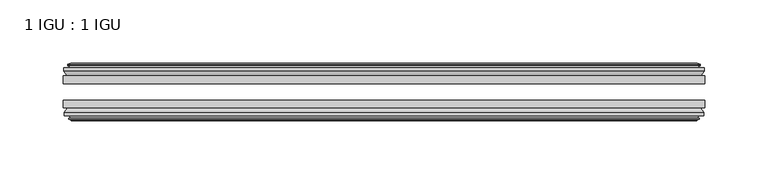
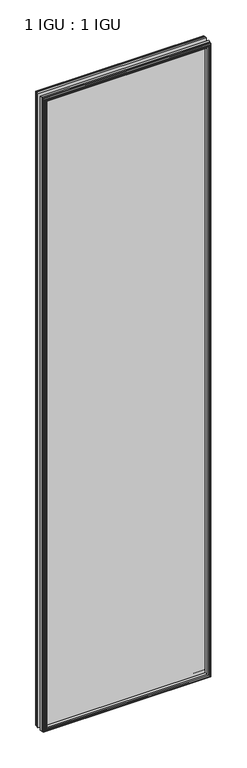
"""IFC4 building model written with IfcOpenShell, lengths in millimetres: plate geometry, 1 IGU : 1 IGU."""

from ifc_helpers import new_model, si_unit, frame, origin, place, context, project, spatial, polyline, outline, extrude, faceted_brep, source, transform, mapped, element, save


def plate_1_igu_1_igu_2e8cac7d(model_context):
    return source(origin(), model_context, "Body", "SolidModel", [
        extrude(outline(polyline([(253.4841883, -19.5460937), (253.4841883, -25.8960938), (-253.4841883, -25.8960938), (-253.4841883, -19.5460937), (253.4841883, -19.5460937)])), frame((0.0, 0.0, -12.7), z_axis=(0.0, 0.0, 1.0), x_axis=(1.0, 0.0, 0.0)), (0.0, 0.0, 1.0), 2019.3),
        extrude(outline(polyline([(-253.4841883, -44.9460938), (-253.4841883, -38.9186737), (253.4841883, -38.9186737), (253.4841883, -44.9460938), (-253.4841883, -44.9460938)])), frame((0.0, 0.0, -12.7), z_axis=(0.0, 0.0, 1.0), x_axis=(1.0, 0.0, 0.0)), (0.0, 0.0, 1.0), 2019.3),
        faceted_brep([(-247.8961883, -53.6762907, 2001.012), (-248.2771883, -51.2960937, 2001.393), (-248.2771883, -51.2960937, -7.493), (-247.8961883, -53.6762907, -7.112), (-249.3117174, -53.2163575, 2002.4275291), (-249.3117174, -53.2163575, -8.5275291), (-249.3117174, -54.0175717, 2002.4275291), (-249.3117174, -54.0175717, -8.5275291), (-247.1341883, -54.7250937, 2000.25), (-247.1341883, -54.7250937, -6.35), (-244.9566593, -54.0175717, 1998.0724709), (-244.9566593, -54.0175717, -4.1724709), (-244.9566593, -53.2163575, 1998.0724709), (-244.9566593, -53.2163575, -4.1724709), (-246.3721883, -53.6762907, 1999.488), (-246.3721883, -53.6762907, -5.588), (-245.9911883, -51.2960937, 1999.107), (-245.9911883, -51.2960937, -5.207), (-239.0664703, -44.9460937, 1992.1822819), (-240.7841883, -51.2960937, 1993.9), (-240.7841883, -51.2960937, 0.0), (-239.0664703, -44.9460937, 1.7177181), (-252.7221883, -48.3496937, 2005.838), (-249.8878462, -44.9460937, 2003.0036578), (-249.8878462, -44.9460937, -9.1036578), (-252.7221883, -48.3496937, -11.938), (-252.7221883, -51.2960937, 2005.838), (-252.7221883, -51.2960937, -11.938), (248.2771883, -51.2960938, -7.493), (247.8961883, -53.6762907, -7.112), (249.3117174, -53.2163575, -8.5275291), (249.3117174, -54.0175717, -8.5275291), (247.1341883, -54.7250937, -6.35), (244.9566593, -54.0175717, -4.1724709), (244.9566593, -53.2163575, -4.1724709), (246.3721883, -53.6762907, -5.588), (245.9911883, -51.2960937, -5.207), (240.7841883, -51.2960937, 0.0), (239.0664703, -44.9460937, 1.7177181), (249.8878462, -44.9460937, -9.1036578), (252.7221883, -48.3496937, -11.938), (252.7221883, -51.2960938, -11.938), (248.2771883, -51.2960938, 2001.393), (247.8961883, -53.6762907, 2001.012), (249.3117174, -53.2163575, 2002.4275291), (249.3117174, -54.0175717, 2002.4275291), (247.1341883, -54.7250937, 2000.25), (244.9566593, -54.0175717, 1998.0724709), (244.9566593, -53.2163575, 1998.0724709), (246.3721883, -53.6762907, 1999.488), (245.9911883, -51.2960937, 1999.107), (240.7841883, -51.2960937, 1993.9), (239.0664703, -44.9460937, 1992.1822819), (249.8878462, -44.9460937, 2003.0036578), (252.7221883, -48.3496937, 2005.838), (252.7221883, -51.2960938, 2005.838)], [[[0, 1, 2, 3]], [[4, 0, 3, 5]], [[6, 4, 5, 7]], [[8, 6, 7, 9]], [[10, 8, 9, 11]], [[12, 10, 11, 13]], [[14, 12, 13, 15]], [[16, 14, 15, 17]], [[18, 19, 20, 21]], [[22, 23, 24, 25]], [[26, 22, 25, 27]], [[3, 2, 28, 29]], [[5, 3, 29, 30]], [[7, 5, 30, 31]], [[9, 7, 31, 32]], [[11, 9, 32, 33]], [[13, 11, 33, 34]], [[15, 13, 34, 35]], [[17, 15, 35, 36]], [[21, 20, 37, 38]], [[25, 24, 39, 40]], [[27, 25, 40, 41]], [[29, 28, 42, 43]], [[30, 29, 43, 44]], [[31, 30, 44, 45]], [[32, 31, 45, 46]], [[33, 32, 46, 47]], [[34, 33, 47, 48]], [[35, 34, 48, 49]], [[36, 35, 49, 50]], [[38, 37, 51, 52]], [[40, 39, 53, 54]], [[41, 40, 54, 55]], [[27, 41, 55, 26], [1, 42, 28, 2]], [[43, 42, 1, 0]], [[44, 43, 0, 4]], [[45, 44, 4, 6]], [[46, 45, 6, 8]], [[47, 46, 8, 10]], [[48, 47, 10, 12]], [[49, 48, 12, 14]], [[50, 49, 14, 16]], [[17, 36, 50, 16], [19, 51, 37, 20]], [[52, 51, 19, 18]], [[23, 53, 39, 24], [21, 38, 52, 18]], [[54, 53, 23, 22]], [[55, 54, 22, 26]]]),
        faceted_brep([(-250.4085462, -19.5460937, 2003.5243578), (-253.2428883, -16.1424937, 2006.3587), (-253.2428883, -16.1424937, -12.4587), (-250.4085462, -19.5460937, -9.6243578), (-241.3048883, -13.1960937, 1994.4207), (-239.5871703, -19.5460937, 1992.7029819), (-239.5871703, -19.5460937, 1.1970181), (-241.3048883, -13.1960937, -0.5207), (-246.8928883, -10.8158968, 2000.0087), (-246.5118883, -13.1960937, 1999.6277), (-246.5118883, -13.1960937, -5.7277), (-246.8928883, -10.8158968, -6.1087), (-245.4773593, -11.27583, 1998.5931709), (-245.4773593, -11.27583, -4.6931709), (-245.4773593, -10.4746158, 1998.5931709), (-245.4773593, -10.4746158, -4.6931709), (-247.6548883, -9.7670937, 2000.7707), (-247.6548883, -9.7670937, -6.8707), (-249.8324174, -10.4746158, 2002.9482291), (-249.8324174, -10.4746158, -9.0482291), (-249.8324174, -11.27583, 2002.9482291), (-249.8324174, -11.27583, -9.0482291), (-248.4168883, -10.8158968, 2001.5327), (-248.4168883, -10.8158968, -7.6327), (-248.7978883, -13.1960937, 2001.9137), (-248.7978883, -13.1960937, -8.0137), (-253.2428883, -13.1960937, 2006.3587), (-253.2428883, -13.1960937, -12.4587), (253.2428883, -16.1424937, -12.4587), (250.4085462, -19.5460937, -9.6243578), (239.5871703, -19.5460937, 1.1970181), (241.3048883, -13.1960937, -0.5207), (246.5118883, -13.1960937, -5.7277), (246.8928883, -10.8158968, -6.1087), (245.4773593, -11.27583, -4.6931709), (245.4773593, -10.4746158, -4.6931709), (247.6548883, -9.7670937, -6.8707), (249.8324174, -10.4746158, -9.0482291), (249.8324174, -11.27583, -9.0482291), (248.4168883, -10.8158968, -7.6327), (248.7978883, -13.1960937, -8.0137), (253.2428883, -13.1960937, -12.4587), (253.2428883, -16.1424937, 2006.3587), (250.4085462, -19.5460937, 2003.5243578), (239.5871703, -19.5460937, 1992.7029819), (241.3048883, -13.1960937, 1994.4207), (246.5118883, -13.1960937, 1999.6277), (246.8928883, -10.8158968, 2000.0087), (245.4773593, -11.27583, 1998.5931709), (245.4773593, -10.4746158, 1998.5931709), (247.6548883, -9.7670937, 2000.7707), (249.8324174, -10.4746158, 2002.9482291), (249.8324174, -11.27583, 2002.9482291), (248.4168883, -10.8158968, 2001.5327), (248.7978883, -13.1960937, 2001.9137), (253.2428883, -13.1960937, 2006.3587)], [[[0, 1, 2, 3]], [[4, 5, 6, 7]], [[8, 9, 10, 11]], [[12, 8, 11, 13]], [[14, 12, 13, 15]], [[16, 14, 15, 17]], [[18, 16, 17, 19]], [[20, 18, 19, 21]], [[22, 20, 21, 23]], [[24, 22, 23, 25]], [[1, 26, 27, 2]], [[3, 2, 28, 29]], [[7, 6, 30, 31]], [[11, 10, 32, 33]], [[13, 11, 33, 34]], [[15, 13, 34, 35]], [[17, 15, 35, 36]], [[19, 17, 36, 37]], [[21, 19, 37, 38]], [[23, 21, 38, 39]], [[25, 23, 39, 40]], [[2, 27, 41, 28]], [[29, 28, 42, 43]], [[31, 30, 44, 45]], [[33, 32, 46, 47]], [[34, 33, 47, 48]], [[35, 34, 48, 49]], [[36, 35, 49, 50]], [[37, 36, 50, 51]], [[38, 37, 51, 52]], [[39, 38, 52, 53]], [[40, 39, 53, 54]], [[28, 41, 55, 42]], [[43, 42, 1, 0]], [[3, 29, 43, 0], [5, 44, 30, 6]], [[45, 44, 5, 4]], [[9, 46, 32, 10], [7, 31, 45, 4]], [[47, 46, 9, 8]], [[48, 47, 8, 12]], [[49, 48, 12, 14]], [[50, 49, 14, 16]], [[51, 50, 16, 18]], [[52, 51, 18, 20]], [[53, 52, 20, 22]], [[54, 53, 22, 24]], [[26, 55, 41, 27], [25, 40, 54, 24]], [[42, 55, 26, 1]]]),
    ])


if __name__ == "__main__":
    model = new_model("IFC4")
    model_context = context("Model", 3, world=origin())
    ifc_project = project(units=[si_unit("LENGTHUNIT", "METRE", prefix="MILLI")], contexts=[model_context])
    site = spatial("IfcSite", under=ifc_project)
    building = spatial("IfcBuilding", under=site)
    placement = place(None, origin())
    plate_1_igu_1_igu_shape = plate_1_igu_1_igu_2e8cac7d(model_context)
    element("IfcPlate", 1, ObjectType="1 IGU : 1 IGU", at=placement, inside=building, context=model_context, shape_type="MappedRepresentation", body=[
        mapped(plate_1_igu_1_igu_shape, transform((0.0, 0.0, 0.0), x_axis=(1.0, 0.0, 0.0), y_axis=(0.0, 1.0, 0.0), z_axis=(0.0, 0.0, 1.0))),
    ])
    save(model, "model.ifc")
